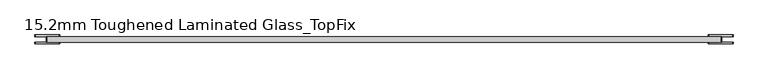
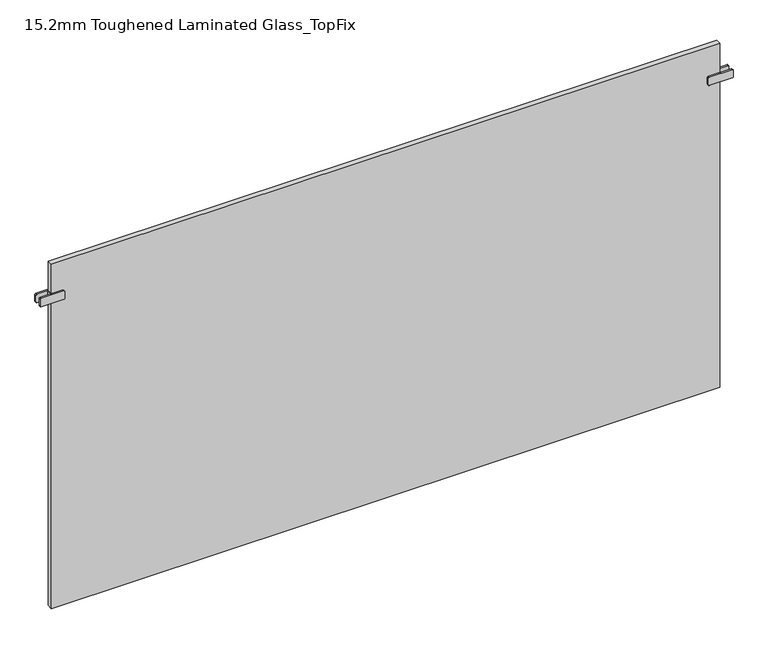
"""IFC4 building model written with IfcOpenShell, lengths in millimetres: plate geometry, 15.2mm Toughened Laminated Glass_TopFix."""

import ifcopenshell
import ifcopenshell.guid

model = None  # the IFC model being written
_history = None  # IfcOwnerHistory: only IFC2X3 demands one
_inside = {}  # id of a spatial element -> (the spatial element, [elements in it])
_under = {}  # id of a project, library or spatial element -> (it, [spatial elements below it])
_declared = {}  # id of a project -> (the project, [libraries it declares])
_typed = {}  # id of a type object -> (the type object, [elements of that type])
_made_of = {}  # id of a material, layer set ... -> (it, [elements and type objects made of it])


def new_model(schema):
    """Start an empty IFC model of exactly this schema.

    Asked for "IFC4X3", IfcOpenShell would pick the latest addendum, in which some entities
    have other attributes; the version numbers below select the first issue.
    IFC2X3 requires an IfcOwnerHistory on every rooted entity: one is made here for all.
    """
    global model, _history
    if schema == "IFC4X3":
        model = ifcopenshell.file(schema_version=(4, 3, 0, 0))
    else:
        model = ifcopenshell.file(schema=schema)
    _inside.clear()
    _under.clear()
    _declared.clear()
    _typed.clear()
    _made_of.clear()
    _history = None
    if model.schema == "IFC2X3":
        org = make("IfcOrganization", Name="unknown")
        user = make(
            "IfcPersonAndOrganization",
            ThePerson=make("IfcPerson", FamilyName="unknown"),
            TheOrganization=org,
        )
        app = make(
            "IfcApplication",
            ApplicationDeveloper=org,
            Version="unknown",
            ApplicationFullName="unknown",
            ApplicationIdentifier="unknown",
        )
        _history = make(
            "IfcOwnerHistory",
            OwningUser=user,
            OwningApplication=app,
            ChangeAction="ADDED",
            CreationDate=0,
        )
    return model


def make(cls, **values):
    """One entity of the class cls with the attributes given. An attribute that is None is left unset."""
    return model.create_entity(
        cls, **{name: value for name, value in values.items() if value is not None}
    )


def rooted(cls, **values):
    """An entity with a GlobalId (a new one), such as an element, a storey or a relation."""
    return make(cls, GlobalId=ifcopenshell.guid.new(), OwnerHistory=_history, **values)


def si_unit(unit_type, name, prefix=None):
    """IfcSIUnit, for example si_unit("LENGTHUNIT", "METRE", prefix="MILLI")."""
    return make("IfcSIUnit", UnitType=unit_type, Prefix=prefix, Name=name)


def assignment(units):
    """IfcUnitAssignment: the units of a project."""
    return None if units is None else make("IfcUnitAssignment", Units=units)


def point(xyz):
    """IfcCartesianPoint."""
    return None if xyz is None else make("IfcCartesianPoint", Coordinates=xyz)


def direction(xyz):
    """IfcDirection."""
    return None if xyz is None else make("IfcDirection", DirectionRatios=xyz)


def frame(location, z_axis=None, x_axis=None):
    """IfcAxis2Placement3D, a coordinate frame: its origin and axes. An axis left out is left unset."""
    return make(
        "IfcAxis2Placement3D",
        Location=point(location),
        Axis=direction(z_axis),
        RefDirection=direction(x_axis),
    )


def frame_2d(location, x_axis=None):
    """IfcAxis2Placement2D, a coordinate frame in the plane: its origin and x axis."""
    return make(
        "IfcAxis2Placement2D", Location=point(location), RefDirection=direction(x_axis)
    )


def origin():
    """The frame at (0, 0, 0) with its axes left unset."""
    return frame((0.0, 0.0, 0.0))


def origin_with_axes():
    """The frame at (0, 0, 0) with the z axis (0, 0, 1) and the x axis (1, 0, 0) written out."""
    return frame((0.0, 0.0, 0.0), z_axis=(0.0, 0.0, 1.0), x_axis=(1.0, 0.0, 0.0))


def place(relative_to, where):
    """IfcLocalPlacement: puts the frame where relative to a parent placement (None: the world)."""
    return make(
        "IfcLocalPlacement", PlacementRelTo=relative_to, RelativePlacement=where
    )


def context(
    kind, dimensions, precision=None, world=None, true_north=None, identifier=None
):
    """IfcGeometricRepresentationContext, for example the 3D "Model" context."""
    return make(
        "IfcGeometricRepresentationContext",
        ContextIdentifier=identifier,
        ContextType=kind,
        CoordinateSpaceDimension=dimensions,
        Precision=precision,
        WorldCoordinateSystem=world,
        TrueNorth=true_north,
    )


def project(units=None, contexts=None):
    """IfcProject with its units and contexts."""
    return rooted(
        "IfcProject",
        Name="project",
        RepresentationContexts=contexts,
        UnitsInContext=assignment(units),
    )


def spatial(cls, under=None, at=None, **own):
    """A site, building, storey or space (cls), placed at a placement, below another one or the project."""
    s = rooted(cls, ObjectPlacement=at, **own)
    if under is not None:
        _under.setdefault(under.id(), (under, []))[1].append(s)
    return s


def polyline(points):
    """IfcPolyline through the points."""
    return make("IfcPolyline", Points=[point(p) for p in points])


def circle_curve(where, radius):
    """IfcCircle in the frame where."""
    return make("IfcCircle", Position=where, Radius=radius)


def trimmed(basis, trim1, trim2, sense, master):
    """IfcTrimmedCurve: the piece of a basis curve between two trims."""
    return make(
        "IfcTrimmedCurve",
        BasisCurve=basis,
        Trim1=trim1,
        Trim2=trim2,
        SenseAgreement=sense,
        MasterRepresentation=master,
    )


def segment(curve, same_sense, transition):
    """IfcCompositeCurveSegment."""
    return make(
        "IfcCompositeCurveSegment",
        Transition=transition,
        SameSense=same_sense,
        ParentCurve=curve,
    )


def composite_curve(segments, self_intersect=None):
    """IfcCompositeCurve: segments joined end to end."""
    return make("IfcCompositeCurve", Segments=segments, SelfIntersect=self_intersect)


def outline(outer, holes=None, kind="AREA"):
    """IfcArbitraryClosedProfileDef: a profile drawn as a closed curve; with holes, ...WithVoids."""
    if holes is None:
        return make("IfcArbitraryClosedProfileDef", ProfileType=kind, OuterCurve=outer)
    return make(
        "IfcArbitraryProfileDefWithVoids",
        ProfileType=kind,
        OuterCurve=outer,
        InnerCurves=holes,
    )


def extrude(swept, where, along, depth):
    """IfcExtrudedAreaSolid: the profile swept, set in the frame where, extruded along a direction by depth."""
    return make(
        "IfcExtrudedAreaSolid",
        SweptArea=swept,
        Position=where,
        ExtrudedDirection=direction(along),
        Depth=depth,
    )


def shape(context_of_items, identifier, shape_type, items):
    """IfcShapeRepresentation: the items that make up one representation, for example the "Body"."""
    return make(
        "IfcShapeRepresentation",
        ContextOfItems=context_of_items,
        RepresentationIdentifier=identifier,
        RepresentationType=shape_type,
        Items=items,
    )


def source(mapping_origin, context_of_items, identifier, shape_type, items):
    """IfcRepresentationMap: a shape defined once, which mapped items show again and again."""
    return make(
        "IfcRepresentationMap",
        MappingOrigin=mapping_origin,
        MappedRepresentation=shape(context_of_items, identifier, shape_type, items),
    )


def transform(
    local_origin,
    x_axis=None,
    y_axis=None,
    z_axis=None,
    scale=None,
    scale2=None,
    scale3=None,
    uniform=True,
):
    """IfcCartesianTransformationOperator3D, or its non-uniform kind. x_axis, y_axis, z_axis: its Axis1, 2, 3."""
    if uniform:
        return make(
            "IfcCartesianTransformationOperator3D",
            Axis1=direction(x_axis),
            Axis2=direction(y_axis),
            LocalOrigin=point(local_origin),
            Scale=scale,
            Axis3=direction(z_axis),
        )
    return make(
        "IfcCartesianTransformationOperator3DnonUniform",
        Axis1=direction(x_axis),
        Axis2=direction(y_axis),
        LocalOrigin=point(local_origin),
        Scale=scale,
        Axis3=direction(z_axis),
        Scale2=scale2,
        Scale3=scale3,
    )


def mapped(mapping_source, mapping_target):
    """IfcMappedItem: shows the shape of a source again, moved by a transform."""
    return make(
        "IfcMappedItem", MappingSource=mapping_source, MappingTarget=mapping_target
    )


def made_of(thing, what):
    """Note that an element or type object is made of a material, layer set ...; save() writes the relation."""
    if what is not None:
        _made_of.setdefault(what.id(), (what, []))[1].append(thing)
    return thing


def element(
    cls,
    number,
    at=None,
    inside=None,
    cuts=None,
    type_object=None,
    material=None,
    context=None,
    identifier="Body",
    shape_type=None,
    held_by="IfcProductDefinitionShape",
    body=None,
    shapes=None,
    **own,
):
    """One element of the class cls, such as IfcWall. Its Tag is "e" and its number.

    at: its placement. inside: the storey or other place that contains it. cuts: it is an
    opening in that element (IfcRelVoidsElement). A single representation is given by context,
    identifier, shape_type and body (its items); several are given by shapes. held_by: the class
    of the entity that holds the representations. save() writes the other relations.
    """
    e = rooted(cls, Tag="e%d" % number, ObjectPlacement=at, **own)
    if body is not None:
        shapes = [shape(context, identifier, shape_type, body)]
    if shapes is not None:
        e.Representation = make(held_by, Representations=shapes)
    if inside is not None:
        _inside.setdefault(inside.id(), (inside, []))[1].append(e)
    if cuts is not None:
        rooted(
            "IfcRelVoidsElement", RelatingBuildingElement=cuts, RelatedOpeningElement=e
        )
    if type_object is not None:
        _typed.setdefault(type_object.id(), (type_object, []))[1].append(e)
    return made_of(e, material)


def aggregate(whole, parts):
    """IfcRelAggregates: a whole, such as a stair, and the parts it consists of."""
    return rooted("IfcRelAggregates", RelatingObject=whole, RelatedObjects=parts)


def save(model, path):
    """Write the relations noted so far, then the file.

    IfcRelAggregates (storeys below a building ...), IfcRelContainedInSpatialStructure (elements
    in a storey), IfcRelDefinesByType, IfcRelAssociatesMaterial and IfcRelDeclares: one each for
    every whole, place, type object, material and project.
    """
    for whole, parts in _under.values():
        aggregate(whole, parts)
    for where, things in _inside.values():
        rooted(
            "IfcRelContainedInSpatialStructure",
            RelatedElements=things,
            RelatingStructure=where,
        )
    for kind, things in _typed.values():
        rooted("IfcRelDefinesByType", RelatedObjects=things, RelatingType=kind)
    for what, things in _made_of.values():
        rooted("IfcRelAssociatesMaterial", RelatedObjects=things, RelatingMaterial=what)
    for by, libraries in _declared.values():
        rooted("IfcRelDeclares", RelatingContext=by, RelatedDefinitions=libraries)
    model.write(path)


def plate_15_2mm_toughened_laminated_glass_topfix_dcee9999(model_context):
    return source(origin(), model_context, "Body", "SweptSolid", [
        extrude(outline(polyline([(-947.5000001, -7.6), (-947.5000001, 7.6), (-942.5000001, 7.6), (-942.5000001, -7.6), (-947.5000001, -7.6)])), frame((0.0, 0.0, 916.5), z_axis=(0.0, 0.0, 1.0), x_axis=(1.0, 0.0, 0.0)), (0.0, 0.0, 1.0), 25.0),
        extrude(outline(composite_curve([segment(trimmed(circle_curve(frame_2d((919.5, -913.0000001)), 3.0), [point((916.5, -913.0000001))], [point((919.5, -910.0000001))], False, "CARTESIAN"), True, "CONTINUOUS"), segment(polyline([(919.5, -910.0000001), (938.5, -910.0000001)]), True, "CONTINUOUS"), segment(trimmed(circle_curve(frame_2d((938.5, -913.0000001)), 3.0), [point((938.5, -910.0000001))], [point((941.5, -913.0000001))], False, "CARTESIAN"), True, "CONTINUOUS"), segment(polyline([(941.5, -913.0000001), (941.5, -977.0000001)]), True, "CONTINUOUS"), segment(trimmed(circle_curve(frame_2d((938.5, -977.0000001)), 3.0), [point((941.5, -977.0000001))], [point((938.5, -980.0000001))], False, "CARTESIAN"), True, "CONTINUOUS"), segment(polyline([(938.5, -980.0000001), (919.5, -980.0000001)]), True, "CONTINUOUS"), segment(trimmed(circle_curve(frame_2d((919.5, -977.0000001)), 3.0), [point((919.5, -980.0000001))], [point((916.5, -977.0000001))], False, "CARTESIAN"), True, "CONTINUOUS"), segment(polyline([(916.5, -977.0000001), (916.5, -913.0000001)]), True, "CONTINUOUS")], self_intersect=False)), frame((0.0, 7.6, 0.0), z_axis=(0.0, 1.0, 0.0), x_axis=(0.0, 0.0, 1.0)), (0.0, 0.0, 1.0), 5.0),
        extrude(outline(composite_curve([segment(trimmed(circle_curve(frame_2d((919.5, -913.0000001)), 3.0), [point((916.5, -913.0000001))], [point((919.5, -910.0000001))], False, "CARTESIAN"), True, "CONTINUOUS"), segment(polyline([(919.5, -910.0000001), (938.5, -910.0000001)]), True, "CONTINUOUS"), segment(trimmed(circle_curve(frame_2d((938.5, -913.0000001)), 3.0), [point((938.5, -910.0000001))], [point((941.5, -913.0000001))], False, "CARTESIAN"), True, "CONTINUOUS"), segment(polyline([(941.5, -913.0000001), (941.5, -977.0000001)]), True, "CONTINUOUS"), segment(trimmed(circle_curve(frame_2d((938.5, -977.0000001)), 3.0), [point((941.5, -977.0000001))], [point((938.5, -980.0000001))], False, "CARTESIAN"), True, "CONTINUOUS"), segment(polyline([(938.5, -980.0000001), (919.5, -980.0000001)]), True, "CONTINUOUS"), segment(trimmed(circle_curve(frame_2d((919.5, -977.0000001)), 3.0), [point((919.5, -980.0000001))], [point((916.5, -977.0000001))], False, "CARTESIAN"), True, "CONTINUOUS"), segment(polyline([(916.5, -977.0000001), (916.5, -913.0000001)]), True, "CONTINUOUS")], self_intersect=False)), frame((0.0, -12.6, 0.0), z_axis=(0.0, 1.0, 0.0), x_axis=(0.0, 0.0, 1.0)), (0.0, 0.0, 1.0), 5.0),
        extrude(outline(polyline([(947.5000001, -7.6), (942.5000001, -7.6), (942.5000001, 7.6), (947.5000001, 7.6), (947.5000001, -7.6)])), frame((0.0, 0.0, 916.5), z_axis=(0.0, 0.0, 1.0), x_axis=(1.0, 0.0, 0.0)), (0.0, 0.0, 1.0), 25.0),
        extrude(outline(composite_curve([segment(polyline([(916.5, 913.0000001), (916.5, 977.0000001)]), True, "CONTINUOUS"), segment(trimmed(circle_curve(frame_2d((919.5, 977.0000001)), 3.0), [point((916.5, 977.0000001))], [point((919.5, 980.0000001))], False, "CARTESIAN"), True, "CONTINUOUS"), segment(polyline([(919.5, 980.0000001), (938.5, 980.0000001)]), True, "CONTINUOUS"), segment(trimmed(circle_curve(frame_2d((938.5, 977.0000001)), 3.0), [point((938.5, 980.0000001))], [point((941.5, 977.0000001))], False, "CARTESIAN"), True, "CONTINUOUS"), segment(polyline([(941.5, 977.0000001), (941.5, 913.0000001)]), True, "CONTINUOUS"), segment(trimmed(circle_curve(frame_2d((938.5, 913.0000001)), 3.0), [point((941.5, 913.0000001))], [point((938.5, 910.0000001))], False, "CARTESIAN"), True, "CONTINUOUS"), segment(polyline([(938.5, 910.0000001), (919.5, 910.0000001)]), True, "CONTINUOUS"), segment(trimmed(circle_curve(frame_2d((919.5, 913.0000001)), 3.0), [point((919.5, 910.0000001))], [point((916.5, 913.0000001))], False, "CARTESIAN"), True, "CONTINUOUS")], self_intersect=False)), frame((0.0, 7.6, 0.0), z_axis=(0.0, 1.0, 0.0), x_axis=(0.0, 0.0, 1.0)), (0.0, 0.0, 1.0), 5.0),
        extrude(outline(composite_curve([segment(polyline([(916.5, 913.0000001), (916.5, 977.0000001)]), True, "CONTINUOUS"), segment(trimmed(circle_curve(frame_2d((919.5, 977.0000001)), 3.0), [point((916.5, 977.0000001))], [point((919.5, 980.0000001))], False, "CARTESIAN"), True, "CONTINUOUS"), segment(polyline([(919.5, 980.0000001), (938.5, 980.0000001)]), True, "CONTINUOUS"), segment(trimmed(circle_curve(frame_2d((938.5, 977.0000001)), 3.0), [point((938.5, 980.0000001))], [point((941.5, 977.0000001))], False, "CARTESIAN"), True, "CONTINUOUS"), segment(polyline([(941.5, 977.0000001), (941.5, 913.0000001)]), True, "CONTINUOUS"), segment(trimmed(circle_curve(frame_2d((938.5, 913.0000001)), 3.0), [point((941.5, 913.0000001))], [point((938.5, 910.0000001))], False, "CARTESIAN"), True, "CONTINUOUS"), segment(polyline([(938.5, 910.0000001), (919.5, 910.0000001)]), True, "CONTINUOUS"), segment(trimmed(circle_curve(frame_2d((919.5, 913.0000001)), 3.0), [point((919.5, 910.0000001))], [point((916.5, 913.0000001))], False, "CARTESIAN"), True, "CONTINUOUS")], self_intersect=False)), frame((0.0, -12.6, 0.0), z_axis=(0.0, 1.0, 0.0), x_axis=(0.0, 0.0, 1.0)), (0.0, 0.0, 1.0), 5.0),
        extrude(outline(polyline([(945.0000001, 7.6), (945.0000001, -7.6), (-945.0000001, -7.6), (-945.0000001, 7.6), (945.0000001, 7.6)])), origin_with_axes(), (0.0, 0.0, 1.0), 1029.0),
    ])


if __name__ == "__main__":
    model = new_model("IFC4")
    model_context = context("Model", 3, world=origin())
    ifc_project = project(units=[si_unit("LENGTHUNIT", "METRE", prefix="MILLI")], contexts=[model_context])
    site = spatial("IfcSite", under=ifc_project)
    building = spatial("IfcBuilding", under=site)
    placement = place(None, origin())
    plate_15_2mm_toughened_laminated_glass_topfix_shape = plate_15_2mm_toughened_laminated_glass_topfix_dcee9999(model_context)
    element("IfcPlate", 1, ObjectType="15.2mm Toughened Laminated Glass_TopFix", at=placement, inside=building, context=model_context, shape_type="MappedRepresentation", body=[
        mapped(plate_15_2mm_toughened_laminated_glass_topfix_shape, transform((0.0, 0.0, 0.0), x_axis=(1.0, 0.0, 0.0), y_axis=(0.0, 1.0, 0.0), z_axis=(0.0, 0.0, 1.0))),
    ])
    save(model, "model.ifc")
